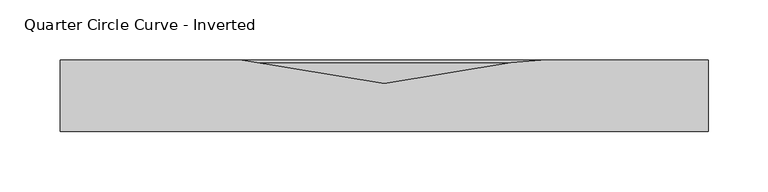
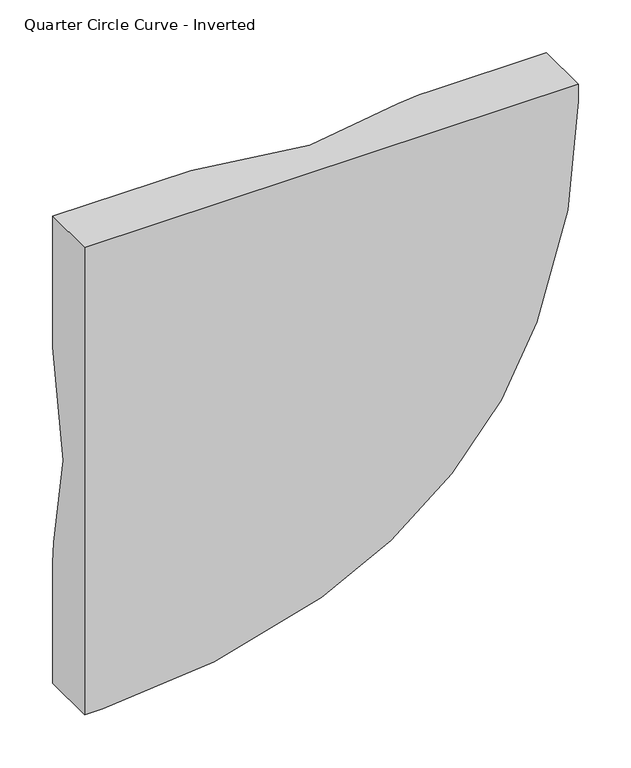
"""IFC4 building model written with IfcOpenShell, lengths in millimetres: furniture geometry, Quarter Circle Curve - Inverted."""

from ifc_helpers import new_model, si_unit, point, frame, origin, place, context, project, spatial, polyline, circle_curve, ellipse_curve, trimmed, source, transform, mapped, element, save
from ifc_brep_helpers import plane_surface, cylinder_surface, revolved_surface, advanced_brep


def quarter_circle_curve_inverted_e9720d8e(model_context):
    return source(origin(), model_context, "Body", "AdvancedBrep", [
        advanced_brep(
        [(-118.5203808, 60.0, 2040.0), (-118.5203808, 60.0, 1995.0), (-225.0, 60.0, 1888.5203808), (-270.0, 60.0, 1888.5203808), (-270.0, 60.0, 2040.0), (270.0, 60.0, 2040.0), (270.0, 60.0, 2020.2887948), (224.9355419, 60.0, 1780.5991139), (-10.5991139, 60.0, 1545.0644581), (-250.2887948, 60.0, 1500.0), (-270.0, 60.0, 1500.0), (-270.0, 60.0, 1625.0), (-270.0, 60.0, 1638.9124051), (-225.0, 60.0, 1638.9124051), (131.0875949, 60.0, 1995.0), (131.0875949, 60.0, 2040.0), (145.0, 60.0, 2040.0), (-270.0, 0.0, 1500.0), (-250.2887948, 0.0, 1500.0), (-10.5991139, 0.0, 1545.0644581), (224.9355419, 0.0, 1780.5991139), (270.0, 0.0, 2020.2887948), (270.0, 0.0, 2040.0), (-270.0, 0.0, 2040.0), (106.1283636, 57.90888, 2040.0), (0.0, 40.0, 2040.0), (-270.0, 40.0, 1770.0), (-270.0, 57.90888, 1663.8716364), (106.1283636, 57.90888, 1995.0), (0.0, 40.0, 1995.0), (-225.0, 57.90888, 1663.8716364), (-225.0, 40.0, 1770.0)],
        [
            (0, 1),
            (1, 2, circle_curve(frame((-225.0, 60.0, 1995.0), z_axis=(0.0, 1.0, 0.0), x_axis=(1.0, 0.0, 0.0)), 106.4796192)),
            (2, 3),
            (3, 4),
            (4, 0),
            (5, 6),
            (6, 7, circle_curve(frame((-389.9652032, 60.0, 2020.2887948), z_axis=(0.0, 1.0, 0.0), x_axis=(1.0, 0.0, 0.0)), 659.9652032)),
            (7, 8, circle_curve(frame((-161.0616985, 60.0, 1931.0616985), z_axis=(0.0, 1.0, 0.0), x_axis=(1.0, 0.0, 0.0)), 414.2859628)),
            (8, 9, circle_curve(frame((-250.2887948, 60.0, 2159.9652032), z_axis=(0.0, 1.0, 0.0), x_axis=(1.0, 0.0, 0.0)), 659.9652032)),
            (9, 10),
            (10, 11),
            (11, 12),
            (12, 13),
            (13, 14, circle_curve(frame((-225.0, 60.0, 1995.0), z_axis=(0.0, -1.0, 0.0), x_axis=(1.0, 0.0, 0.0)), 356.0875949)),
            (14, 15),
            (15, 16),
            (16, 5),
            (17, 18),
            (18, 19, circle_curve(frame((-250.2887948, 0.0, 2159.9652032), z_axis=(0.0, -1.0, 0.0), x_axis=(1.0, 0.0, 0.0)), 659.9652032)),
            (19, 20, circle_curve(frame((-161.0616985, 0.0, 1931.0616985), z_axis=(0.0, -1.0, 0.0), x_axis=(1.0, 0.0, 0.0)), 414.2859628)),
            (20, 21, circle_curve(frame((-389.9652032, 0.0, 2020.2887948), z_axis=(0.0, -1.0, 0.0), x_axis=(1.0, 0.0, 0.0)), 659.9652032)),
            (21, 22),
            (22, 23),
            (23, 17),
            (22, 5),
            (15, 24, circle_curve(frame((131.0875949, -90.0, 2040.0), z_axis=(0.0, 0.0, 1.0), x_axis=(0.0, 1.0, 0.0)), 150.0)),
            (24, 25),
            (25, 0),
            (4, 23),
            (3, 26),
            (26, 27),
            (27, 12, circle_curve(frame((-270.0, -90.0, 1638.9124051), z_axis=(-1.0, 0.0, 0.0), x_axis=(0.0, 1.0, 0.0)), 150.0)),
            (10, 17),
            (9, 18),
            (21, 6),
            (24, 28),
            (28, 29),
            (29, 25),
            (29, 1),
            (28, 30, circle_curve(frame((-225.0, 57.90888, 1995.0), z_axis=(0.0, 1.0, 0.0), x_axis=(1.0, 0.0, 0.0)), 331.1283636)),
            (30, 31),
            (31, 29, circle_curve(frame((-225.0, 40.0, 1995.0), z_axis=(0.0, -1.0, 0.0), x_axis=(1.0, 0.0, 0.0)), 225.0)),
            (31, 2),
            (30, 27),
            (26, 31),
            (14, 28, circle_curve(frame((131.0875949, -90.0, 1995.0), z_axis=(0.0, 0.0, 1.0), x_axis=(0.0, 1.0, 0.0)), 150.0)),
            (13, 30, circle_curve(frame((-225.0, -90.0, 1638.9124051), z_axis=(1.0, 0.0, 0.0), x_axis=(0.0, 1.0, 0.0)), 150.0)),
            (20, 7),
            (19, 8),
        ],
        [
            plane_surface(frame((-270.0, 60.0, 2040.0), z_axis=(0.0, 1.0, 0.0), x_axis=(-1.0, 0.0, 0.0))),
            plane_surface(frame((-270.0, 0.0, 2040.0), z_axis=(0.0, -1.0, 0.0), x_axis=(1.0, 0.0, 0.0))),
            plane_surface(frame((270.0, 60.0, 2040.0), z_axis=(0.0, 0.0, 1.0), x_axis=(0.0, -1.0, 0.0))),
            plane_surface(frame((-270.0, 60.0, 2040.0), z_axis=(-1.0, 0.0, 0.0), x_axis=(0.0, -1.0, 0.0))),
            plane_surface(frame((-270.0, 60.0, 1500.0), z_axis=(0.0, 0.0, -1.0), x_axis=(0.0, -1.0, 0.0))),
            plane_surface(frame((270.0, 60.0, 1500.0), z_axis=(1.0, 0.0, 0.0), x_axis=(0.0, -1.0, 0.0))),
            plane_surface(frame((106.1283636, 57.90888, 2040.0), z_axis=(-0.16639487545081413, 0.9860591997561343, 0.0), x_axis=(0.0, 0.0, -1.0))),
            plane_surface(frame((0.0, 40.0, 2040.0), z_axis=(0.1663948754507782, 0.9860591997561404, 0.0), x_axis=(0.0, 0.0, -1.0))),
            revolved_surface(polyline([(0.0, 40.0, 1995.0), (106.1283636, 57.90888, 1995.0)]), (-225.0, 60.0, 1995.0), (0.0, -1.0, 0.0)),
            revolved_surface(polyline([(-120.0, 60.2496818, 1995.0), (0.0, 40.0, 1995.0)]), (-225.0, 60.0, 1995.0), (0.0, -1.0, 0.0)),
            plane_surface(frame((-225.0, 57.90888, 1663.8716364), z_axis=(0.0, 0.9860591997561339, 0.16639487545081733), x_axis=(-1.0, 0.0, 0.0))),
            plane_surface(frame((-225.0, 40.0, 1770.0), z_axis=(0.0, 0.986059199756141, -0.16639487545077503), x_axis=(-1.0, 0.0, 0.0))),
            cylinder_surface(frame((131.0875949, -90.0, 2040.0), z_axis=(0.0, 0.0, -1.0), x_axis=(0.0, 1.0, 0.0)), 150.0),
            revolved_surface(trimmed(ellipse_curve(frame((131.0875949, -90.0, 1995.0), z_axis=(0.0, 0.0, -1.0), x_axis=(0.0, 1.0, 0.0)), 150.0, 150.0), [point((106.1283636, 57.90888, 1995.0))], [point((131.0875949, 60.0, 1995.0))], True, "CARTESIAN"), (-225.0, 60.0, 1995.0), (0.0, -1.0, 0.0)),
            cylinder_surface(frame((-225.0, -90.0, 1638.9124051), z_axis=(-1.0, 0.0, 0.0), x_axis=(0.0, 1.0, 0.0)), 150.0),
            cylinder_surface(frame((-389.9652032, 0.0, 2020.2887948), z_axis=(0.0, -1.0, 0.0), x_axis=(1.0, 0.0, 0.0)), 659.9652032),
            cylinder_surface(frame((-161.0616985, 0.0, 1931.0616985), z_axis=(0.0, -1.0, 0.0), x_axis=(1.0, 0.0, 0.0)), 414.2859628),
            cylinder_surface(frame((-250.2887948, 0.0, 2159.9652032), z_axis=(0.0, -1.0, 0.0), x_axis=(1.0, 0.0, 0.0)), 659.9652032),
        ],
        [
            (0, [[1, 2, 3, 4, 5]]),
            (0, [[6, 7, 8, 9, 10, 11, 12, 13, 14, 15, 16, 17]]),
            (1, [[18, 19, 20, 21, 22, 23, 24]]),
            (2, [[25, -17, -16, 26, 27, 28, -5, 29, -23]]),
            (3, [[-29, -4, 30, 31, 32, -12, -11, 33, -24]]),
            (4, [[-10, 34, -18, -33]]),
            (5, [[-22, 35, -6, -25]]),
            (6, [[-27, 36, 37, 38]]),
            (7, [[39, -1, -28, -38]]),
            (8, [[40, 41, 42, -37]]),
            (9, [[43, -2, -39, -42]]),
            (10, [[44, -31, 45, -41]]),
            (11, [[-30, -3, -43, -45]]),
            (12, [[-26, -15, 46, -36]]),
            (13, [[-46, -14, 47, -40]]),
            (14, [[-47, -13, -32, -44]]),
            (15, [[-7, -35, -21, 48]]),
            (16, [[-20, 49, -8, -48]]),
            (17, [[-19, -34, -9, -49]]),
        ],
    ),
    ])


if __name__ == "__main__":
    model = new_model("IFC4")
    model_context = context("Model", 3, world=origin())
    ifc_project = project(units=[si_unit("LENGTHUNIT", "METRE", prefix="MILLI")], contexts=[model_context])
    site = spatial("IfcSite", under=ifc_project)
    building = spatial("IfcBuilding", under=site)
    placement = place(None, origin())
    quarter_circle_curve_inverted_shape = quarter_circle_curve_inverted_e9720d8e(model_context)
    element("IfcFurniture", 1, ObjectType="Quarter Circle Curve - Inverted", at=placement, inside=building, context=model_context, shape_type="MappedRepresentation", body=[
        mapped(quarter_circle_curve_inverted_shape, transform((0.0, 0.0, 0.0), x_axis=(1.0, 0.0, 0.0), y_axis=(0.0, 1.0, 0.0), z_axis=(0.0, 0.0, 1.0))),
    ])
    save(model, "model.ifc")
